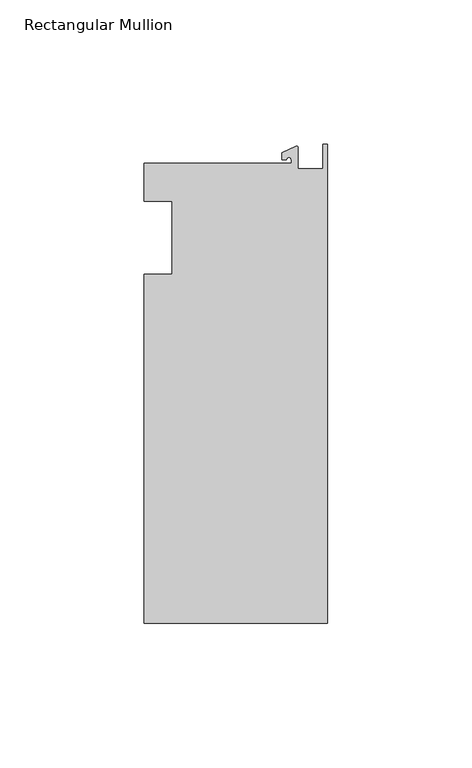
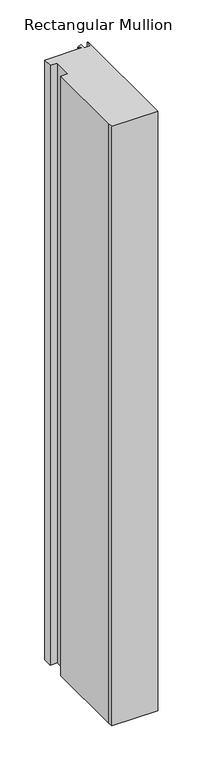
"""IFC4 building model written with IfcOpenShell, lengths in millimetres: member geometry, Rectangular Mullion."""

from ifc_helpers import new_model, si_unit, point, frame, frame_2d, origin, place, context, project, spatial, polyline, circle_curve, trimmed, segment, composite_curve, outline, extrude, source, transform, mapped, element, save


def rectangular_mullion_e5daa42f(model_context):
    return source(origin(), model_context, "Body", "SweptSolid", [
        extrude(outline(composite_curve([segment(polyline([(-12.6173814, 25.796875), (-12.6173814, 27.0827507)]), True, "CONTINUOUS"), segment(trimmed(circle_curve(frame_2d((-13.4111314, 27.0827507)), 0.79375), [point((-12.6173814, 27.0827507))], [point((-14.2048814, 27.0827507))], True, "CARTESIAN"), True, "CONTINUOUS"), segment(polyline([(-14.2048814, 27.0827507), (-15.7923814, 27.0827507), (-15.7923814, 29.44495), (-10.9524715, 31.7018371)]), True, "CONTINUOUS"), segment(trimmed(circle_curve(frame_2d((-10.7377814, 31.2414327)), 0.508), [point((-10.9524715, 31.7018371))], [point((-10.2297814, 31.2414327))], False, "CARTESIAN"), True, "CONTINUOUS"), segment(polyline([(-10.2297814, 31.2414327), (-10.2297814, 23.9227662), (-1.7144124, 23.9227662), (-1.5658966, 32.288874), (0.0, 32.288874), (0.0, -133.34365), (-63.5, -133.34365), (-63.5, -125.8114907), (-63.5, -12.7), (-53.975, -12.7), (-53.975, 12.7), (-63.5, 12.7), (-63.5, 25.796875), (-12.6173814, 25.796875)]), True, "CONTINUOUS")], self_intersect=False)), frame((0.0, 0.0, -870.9014763), z_axis=(0.0, 0.0, 1.0), x_axis=(1.0, 0.0, 0.0)), (0.0, 0.0, 1.0), 870.9014763),
    ])


if __name__ == "__main__":
    model = new_model("IFC4")
    model_context = context("Model", 3, world=origin())
    ifc_project = project(units=[si_unit("LENGTHUNIT", "METRE", prefix="MILLI")], contexts=[model_context])
    site = spatial("IfcSite", under=ifc_project)
    building = spatial("IfcBuilding", under=site)
    placement = place(None, origin())
    rectangular_mullion_shape = rectangular_mullion_e5daa42f(model_context)
    element("IfcMember", 1, ObjectType="Rectangular Mullion", at=placement, inside=building, context=model_context, shape_type="MappedRepresentation", body=[
        mapped(rectangular_mullion_shape, transform((0.0, 0.0, 0.0), x_axis=(1.0, 0.0, 0.0), y_axis=(0.0, 1.0, 0.0), z_axis=(0.0, 0.0, 1.0))),
    ])
    save(model, "model.ifc")
